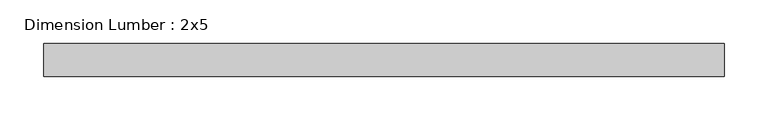
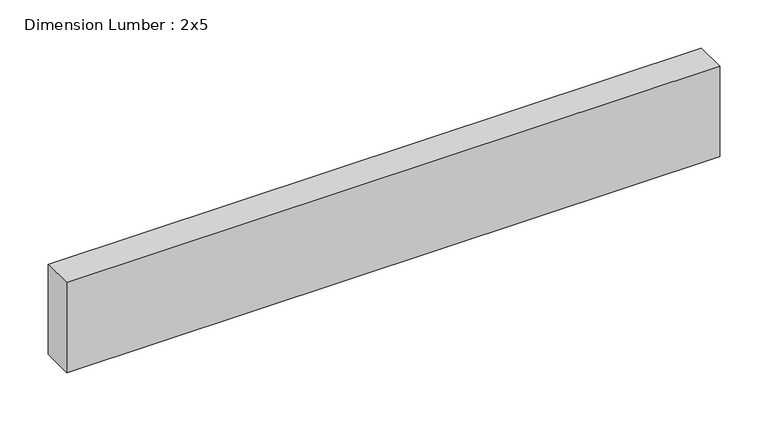
"""IFC4 building model written with IfcOpenShell, lengths in millimetres: beam geometry, Dimension Lumber : 2x5."""

from ifc_helpers import new_model, si_unit, frame, origin, place, context, project, spatial, polyline, outline, extrude, source, transform, mapped, element, save


def dimension_lumber_2x5_566c0df5(model_context):
    return source(origin(), model_context, "Body", "SweptSolid", [
        extrude(outline(polyline([(391.2607395, 19.05), (391.2607395, -19.05), (-391.2607395, -19.05), (-391.2607395, 19.05), (391.2607395, 19.05)])), frame((0.0, 0.0, -57.15), z_axis=(0.0, 0.0, 1.0), x_axis=(1.0, 0.0, 0.0)), (0.0, 0.0, 1.0), 114.3),
    ])


if __name__ == "__main__":
    model = new_model("IFC4")
    model_context = context("Model", 3, world=origin())
    ifc_project = project(units=[si_unit("LENGTHUNIT", "METRE", prefix="MILLI")], contexts=[model_context])
    site = spatial("IfcSite", under=ifc_project)
    building = spatial("IfcBuilding", under=site)
    placement = place(None, origin())
    dimension_lumber_2x5_shape = dimension_lumber_2x5_566c0df5(model_context)
    element("IfcBeam", 1, ObjectType="Dimension Lumber : 2x5", at=placement, inside=building, context=model_context, shape_type="MappedRepresentation", body=[
        mapped(dimension_lumber_2x5_shape, transform((0.0, 0.0, 0.0), x_axis=(1.0, 0.0, 0.0), y_axis=(0.0, 1.0, 0.0), z_axis=(0.0, 0.0, 1.0))),
    ])
    save(model, "model.ifc")
